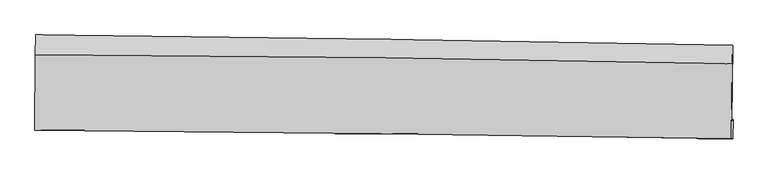
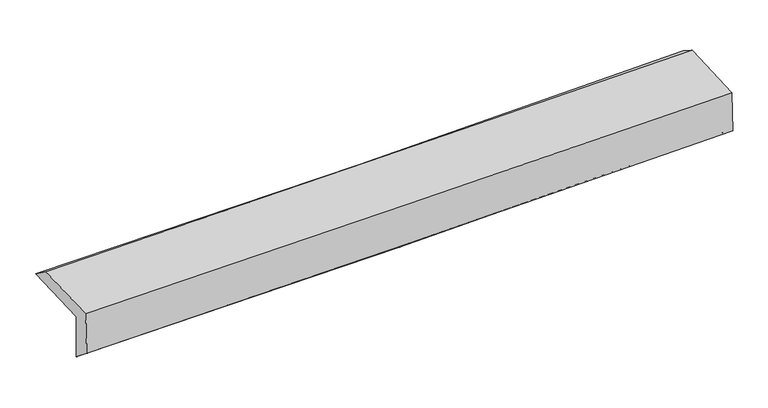
"""IFC4 building model written with IfcOpenShell, lengths in millimetres: proxy geometry."""

from ifc_helpers import new_model, si_unit, frame, origin, place, context, project, spatial, source, transform, mapped, element, save
from ifc_brep_helpers import plane_surface, spline_curve, spline_surface, advanced_brep


def generic_models_c729ec17(model_context):
    return source(origin(), model_context, "Body", "AdvancedBrep", [
        advanced_brep(
        [(-3013.9909189, -1755.3020168, 1961.0080339), (-3010.9893337, -1091.6719361, 1983.7508751), (3000.8741969, -1182.2903104, 2141.9150956), (2994.3366488, -1840.8797073, 2114.38926), (-3003.7166473, -1739.1404588, 1549.2732929), (3004.2375144, -1825.32333, 1718.0701466), (-3008.2917171, -1914.0843974, 1696.2032949), (2999.4662377, -1988.4560358, 1839.628809), (-3017.9533639, -1913.4872746, 2086.8161219), (2990.1191198, -1987.8742841, 2220.593219), (-3015.0029925, -1261.1802177, 2109.1709191), (2996.6618354, -1340.5884374, 2242.8660472)],
        [
            (0, 1),
            (1, 2, spline_curve(3, [(-3010.9893337, -1091.6719361, 1983.7508751), (-2009.106827658, -1102.938226522, 1991.551831126), (-1007.442287014, -1116.117887461, 2008.6207638), (996.512685376, -1146.319952502, 2061.322506913), (1998.802654966, -1163.346416551, 2096.974981061), (3000.8741969, -1182.2903104, 2141.9150956)], [4, 2, 4], [0.0, 9.85862155642424, 19.72769609271128])),
            (2, 3),
            (3, 0, spline_curve(3, [(2994.3366488, -1840.8797073, 2114.38926), (1992.9109595, -1824.449149609, 2071.813341152), (991.23872104, -1809.099189997, 2037.741343992), (-1011.537656972, -1780.575581013, 1986.632273023), (-2012.64127431, -1767.3996437, 1969.577195078), (-3013.9909189, -1755.3020168, 1961.0080339)], [4, 2, 4], [0.0, 9.869074536287041, 19.72769609271128])),
            (4, 0),
            (3, 5),
            (5, 4, spline_curve(3, [(3004.2375144, -1825.32333, 1718.0701466), (2002.830541878, -1808.85988294, 1674.656863535), (1001.198806902, -1793.443002129, 1638.880408221), (-1001.453056409, -1764.717594207, 1582.630959291), (-2002.472708653, -1751.40685117, 1562.141796188), (-3003.7166473, -1739.1404588, 1549.2732929)], [4, 2, 4], [0.0, 9.865970977150305, 19.721492261619503])),
            (6, 4),
            (5, 7),
            (7, 6, spline_curve(3, [(2999.4662377, -1988.4560358, 1839.628809), (1998.093024232, -1970.961757926, 1802.087531207), (996.494527568, -1956.015047891, 1771.362042667), (-1006.09193413, -1931.229895649, 1723.567968653), (-2007.07942273, -1921.386059514, 1706.484952494), (-3008.2917171, -1914.0843974, 1696.2032949)], [4, 2, 4], [0.0, 9.86510824804909, 19.719767717189676])),
            (8, 6),
            (7, 9),
            (9, 8, spline_curve(3, [(2990.1191198, -1987.8742841, 2220.593219), (1988.608073132, -1970.37222203, 2188.043545902), (986.91445825, -1955.420339616, 2160.617424469), (-1015.776756107, -1930.630069236, 2116.035906236), (-2016.773968894, -1920.786281665, 2098.869662286), (-3017.9533639, -1913.4872746, 2086.8161219)], [4, 2, 4], [0.0, 9.864311102917199, 19.71817427123424])),
            (10, 8),
            (9, 11),
            (11, 10, spline_curve(3, [(2996.6618354, -1340.5884374, 2242.8660472), (1994.457589198, -1320.582650587, 2210.384616633), (992.117878721, -1303.960691698, 2182.999436189), (-1011.770683747, -1277.49844907, 2138.44518327), (-2013.319249371, -1267.651001983, 2121.265321134), (-3015.0029925, -1261.1802177, 2109.1709191)], [4, 2, 4], [0.0, 9.867383478000583, 19.724315767248378])),
            (1, 10),
            (11, 2),
        ],
        [
            spline_surface(3, 3, [[(-3013.9909189, -1755.3020168, 1961.0080339), (-2012.64127431, -1767.399643749, 1969.577195085), (-1011.537656924, -1780.575581011, 1986.632273106), (991.238720992, -1809.099189999, 2037.741343908), (1992.910959466, -1824.449149558, 2071.813341234), (2994.3366488, -1840.8797073, 2114.38926)], [(-3012.990390479, -1534.091989918, 1968.588980994), (-2011.463125458, -1545.912504717, 1976.902073822), (-1010.17253367, -1559.089683138, 1993.96177002), (992.996709157, -1588.172777512, 2045.601731542), (1994.874857987, -1604.081571881, 2080.200554508), (2996.515831493, -1621.349908323, 2123.564538549)], [(-3011.989862121, -1312.881962982, 1976.169928006), (-2010.284976668, -1324.425365632, 1984.226952477), (-1008.807410398, -1337.603785281, 2001.291266963), (994.754697341, -1367.246365041, 2053.462119204), (1996.838756528, -1383.713994233, 2088.587767737), (2998.695014207, -1401.820109377, 2132.739817051)], [(-3010.9893337, -1091.6719361, 1983.7508751), (-2009.106827816, -1102.9382266, 1991.551831214), (-1007.442287144, -1116.117887408, 2008.620763876), (996.512685506, -1146.319952554, 2061.322506837), (1998.802655048, -1163.346416556, 2096.974981012), (3000.8741969, -1182.2903104, 2141.9150956)]], [4, 4], [4, 2, 4], [0.0, 2.178560266250787], [0.0, 9.85862155642424, 19.72769609271128]),
            spline_surface(3, 3, [[(-3003.7166473, -1739.1404588, 1549.2732929), (-2002.472708548, -1751.406851136, 1562.141796317), (-1001.453056302, -1764.717594198, 1582.6309592), (1001.198806795, -1793.443002138, 1638.880408312), (2002.830541793, -1808.859882797, 1674.65686339), (3004.2375144, -1825.32333, 1718.0701466)], [(-3007.141404511, -1744.527644788, 1686.518206537), (-2005.862230479, -1756.737781995, 1697.953595877), (-1004.814589858, -1770.003589824, 1717.298063837), (997.878778179, -1798.661731446, 1771.834053512), (1999.524014365, -1814.056305039, 1807.042356015), (3000.937225881, -1830.508789088, 1850.176517744)], [(-3010.566161689, -1749.914830812, 1823.763120263), (-2009.251752378, -1762.06871289, 1833.765395525), (-1008.176123369, -1775.289585385, 1851.96516847), (994.558749608, -1803.88046069, 1904.787698708), (1996.217486894, -1819.252727316, 1939.427848608), (2997.636937319, -1835.694248212, 1982.282888856)], [(-3013.9909189, -1755.3020168, 1961.0080339), (-2012.64127431, -1767.399643749, 1969.577195085), (-1011.537656924, -1780.575581011, 1986.632273106), (991.238720992, -1809.099189999, 2037.741343908), (1992.910959466, -1824.449149558, 2071.813341234), (2994.3366488, -1840.8797073, 2114.38926)]], [4, 4], [4, 2, 4], [0.0, 1.3184466093898848], [0.0, 9.855521284469198, 19.721492261619503]),
            spline_surface(3, 3, [[(-3008.2917171, -1914.0843974, 1696.2032949), (-2007.079422699, -1921.386059558, 1706.484952354), (-1006.091934232, -1931.229895567, 1723.567968536), (996.49452767, -1956.015047972, 1771.362042785), (1998.093024141, -1970.96175809, 1802.087531312), (2999.4662377, -1988.4560358, 1839.628809)], [(-3006.766693824, -1855.769751197, 1647.226627582), (-2005.543851306, -1864.726323415, 1658.370567024), (-1004.545641568, -1875.725795098, 1676.588965422), (998.062620732, -1901.824366015, 1727.201497959), (1999.672196698, -1916.927799659, 1759.610641994), (3001.056663273, -1934.0784672, 1799.109254857)], [(-3005.241670576, -1797.455105003, 1598.249960218), (-2004.008279941, -1808.06658728, 1610.256181647), (-1002.999348966, -1820.221694667, 1629.609962313), (999.630713733, -1847.633684096, 1683.040953138), (2001.251369236, -1862.893841229, 1717.133752707), (3002.647088827, -1879.7008986, 1758.589700743)], [(-3003.7166473, -1739.1404588, 1549.2732929), (-2002.472708548, -1751.406851136, 1562.141796317), (-1001.453056302, -1764.717594198, 1582.6309592), (1001.198806795, -1793.443002138, 1638.880408312), (2002.830541793, -1808.859882797, 1674.65686339), (3004.2375144, -1825.32333, 1718.0701466)]], [4, 4], [4, 2, 4], [0.0, 0.7020037418383857], [0.0, 9.854659469140586, 19.719767717189676]),
            spline_surface(3, 3, [[(-3017.9533639, -1913.4872746, 2086.8161219), (-2016.773969058, -1920.786281791, 2098.869662179), (-1015.776756148, -1930.630069129, 2116.035906319), (986.914458291, -1955.420339722, 2160.617424386), (1988.608073274, -1970.372222175, 2188.043545958), (2990.1191198, -1987.8742841, 2220.593219)], [(-3014.732814966, -1913.686315557, 1956.611846243), (-2013.542453604, -1920.986207737, 1968.074758914), (-1012.548482187, -1930.83001128, 1985.213260413), (990.107814739, -1955.61857581, 2030.865630542), (1991.769723558, -1970.568734152, 2059.391541087), (2993.234825762, -1988.068201339, 2093.605082345)], [(-3011.512266034, -1913.885356443, 1826.407570557), (-2010.310938152, -1921.186133613, 1837.279855619), (-1009.320208192, -1931.029953417, 1854.390614441), (993.301171222, -1955.816811884, 1901.11383663), (1994.931373857, -1970.765246113, 1930.739536182), (2996.350531738, -1988.262118561, 1966.616945655)], [(-3008.2917171, -1914.0843974, 1696.2032949), (-2007.079422699, -1921.386059558, 1706.484952354), (-1006.091934232, -1931.229895567, 1723.567968536), (996.49452767, -1956.015047972, 1771.362042785), (1998.093024141, -1970.96175809, 1802.087531312), (2999.4662377, -1988.4560358, 1839.628809)]], [4, 4], [4, 2, 4], [0.0, 1.2827397799729345], [0.0, 9.85386316831704, 19.71817427123424]),
            spline_surface(3, 3, [[(-3015.0029925, -1261.1802177, 2109.1709191), (-2013.319249423, -1267.651001882, 2121.265321017), (-1011.770683899, -1277.498449228, 2138.445183276), (992.117878873, -1303.96069154, 2182.999436182), (1994.457589317, -1320.582650733, 2210.384616563), (2996.6618354, -1340.5884374, 2242.8660472)], [(-3015.986449652, -1478.615903322, 2101.719320037), (-2014.470822653, -1485.36276184, 2113.800101408), (-1013.106041328, -1495.208989205, 2130.975424287), (990.383405333, -1521.11390761, 2175.53876558), (1992.507750621, -1537.179174544, 2202.937592996), (2994.480930184, -1556.350386296, 2235.441771102)], [(-3016.969906748, -1696.051588978, 2094.267720963), (-2015.622395827, -1703.074521833, 2106.334881788), (-1014.441398719, -1712.919529153, 2123.505665308), (988.648931831, -1738.267123652, 2168.078094988), (1990.557911971, -1753.775698365, 2195.490569525), (2992.300025016, -1772.112335204, 2228.017495098)], [(-3017.9533639, -1913.4872746, 2086.8161219), (-2016.773969058, -1920.786281791, 2098.869662179), (-1015.776756148, -1930.630069129, 2116.035906319), (986.914458291, -1955.420339722, 2160.617424386), (1988.608073274, -1970.372222175, 2188.043545958), (2990.1191198, -1987.8742841, 2220.593219)]], [4, 4], [4, 2, 4], [0.0, 2.1413889219938134], [0.0, 9.856932289247794, 19.724315767248378]),
            spline_surface(3, 3, [[(-3010.9893337, -1091.6719361, 1983.7508751), (-2009.106827816, -1102.9382266, 1991.551831214), (-1007.442287144, -1116.117887408, 2008.620763876), (996.512685506, -1146.319952554, 2061.322506837), (1998.802655048, -1163.346416556, 2096.974981012), (3000.8741969, -1182.2903104, 2141.9150956)], [(-3012.327219967, -1148.174696618, 2025.557556406), (-2010.510968352, -1157.842485012, 2034.789661121), (-1008.885086038, -1169.911407997, 2051.895570334), (995.047749986, -1198.866865532, 2101.881483276), (1997.354299812, -1215.758494635, 2134.778192867), (2999.470076407, -1235.056352753, 2175.565412804)], [(-3013.665106233, -1204.677457182, 2067.364237794), (-2011.915108887, -1212.746743469, 2078.02749111), (-1010.327885005, -1223.704928639, 2095.170376819), (993.582814393, -1251.413778562, 2142.440459743), (1995.905944554, -1268.170572654, 2172.581404708), (2998.065955893, -1287.822395047, 2209.215729996)], [(-3015.0029925, -1261.1802177, 2109.1709191), (-2013.319249423, -1267.651001882, 2121.265321017), (-1011.770683899, -1277.498449228, 2138.445183276), (992.117878873, -1303.96069154, 2182.999436182), (1994.457589317, -1320.582650733, 2210.384616563), (2996.6618354, -1340.5884374, 2242.8660472)]], [4, 4], [4, 2, 4], [0.0, 0.6665370444347515], [0.0, 9.860767939991312, 19.731991135630544]),
            plane_surface(frame((2997.6159255, -1694.2353508, 2046.2437629), z_axis=(0.9996388107269769, -0.010948795650146477, 0.024543267145325814), x_axis=(0.0245279994742925, -0.001526588834536172, -0.9996979777754477))),
            plane_surface(frame((-3011.6574956, -1612.4777169, 1897.7037563), z_axis=(-0.9996796276079357, 0.005369203365402168, -0.024734870140755327), x_axis=(-0.004520279648730689, -0.9994030774666077, -0.03424990251330659))),
        ],
        [
            (0, [[1, 2, 3, 4]]),
            (1, [[5, -4, 6, 7]]),
            (2, [[8, -7, 9, 10]]),
            (3, [[11, -10, 12, 13]]),
            (4, [[14, -13, 15, 16]]),
            (5, [[17, -16, 18, -2]]),
            (6, [[-12, -9, -6, -3, -18, -15]]),
            (7, [[-1, -5, -8, -11, -14, -17]]),
        ],
    ),
    ])


if __name__ == "__main__":
    model = new_model("IFC4")
    model_context = context("Model", 3, world=origin())
    ifc_project = project(units=[si_unit("LENGTHUNIT", "METRE", prefix="MILLI")], contexts=[model_context])
    site = spatial("IfcSite", under=ifc_project)
    building = spatial("IfcBuilding", under=site)
    placement = place(None, origin())
    generic_models_shape = generic_models_c729ec17(model_context)
    element("IfcBuildingElementProxy", 1, Name="Generic Models", at=placement, inside=building, context=model_context, shape_type="MappedRepresentation", body=[
        mapped(generic_models_shape, transform((0.0, 0.0, 0.0), x_axis=(1.0, 0.0, 0.0), y_axis=(0.0, 1.0, 0.0), z_axis=(0.0, 0.0, 1.0))),
    ])
    save(model, "model.ifc")
